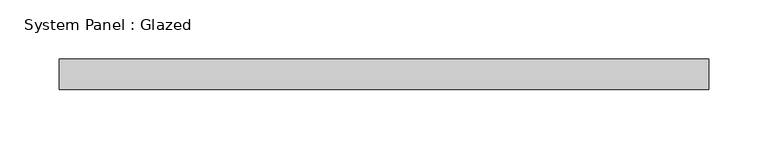
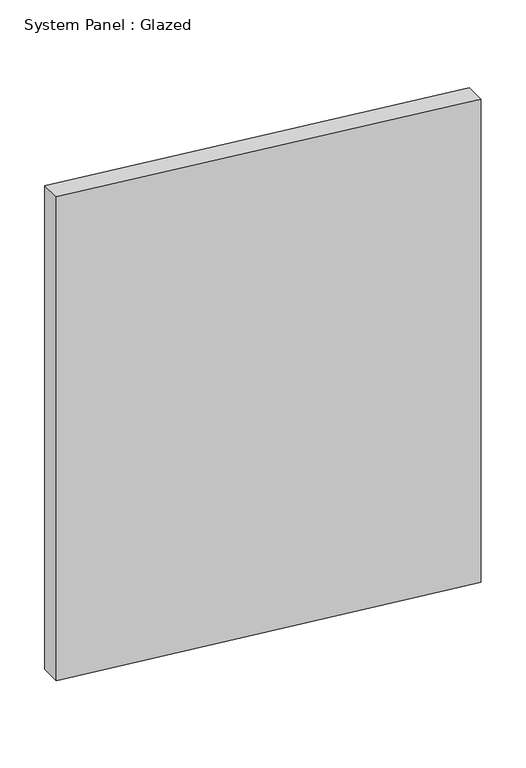
"""IFC4 building model written with IfcOpenShell, lengths in millimetres: plate geometry, System Panel : Glazed."""

from ifc_helpers import new_model, si_unit, frame, origin, place, context, project, spatial, polyline, outline, extrude, source, transform, mapped, element, save


def system_panel_glazed_58f6bc5e(model_context):
    return source(origin(), model_context, "Body", "SweptSolid", [
        extrude(outline(polyline([(57.603461, -273.05), (0.0, 273.05), (656.8431119, 273.05), (715.10432, -273.05), (57.603461, -273.05)])), frame((0.0, 19.05, 0.0), z_axis=(0.0, 1.0, 0.0), x_axis=(0.0, 0.0, 1.0)), (0.0, 0.0, 1.0), 25.4),
    ])


if __name__ == "__main__":
    model = new_model("IFC4")
    model_context = context("Model", 3, world=origin())
    ifc_project = project(units=[si_unit("LENGTHUNIT", "METRE", prefix="MILLI")], contexts=[model_context])
    site = spatial("IfcSite", under=ifc_project)
    building = spatial("IfcBuilding", under=site)
    placement = place(None, origin())
    system_panel_glazed_shape = system_panel_glazed_58f6bc5e(model_context)
    element("IfcPlate", 1, ObjectType="System Panel : Glazed", at=placement, inside=building, context=model_context, shape_type="MappedRepresentation", body=[
        mapped(system_panel_glazed_shape, transform((0.0, 0.0, 0.0), x_axis=(1.0, 0.0, 0.0), y_axis=(0.0, 1.0, 0.0), z_axis=(0.0, 0.0, 1.0))),
    ])
    save(model, "model.ifc")
